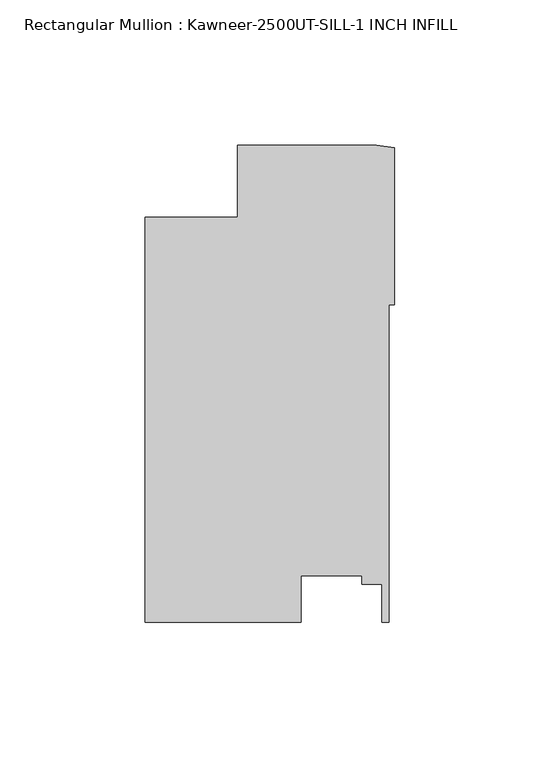
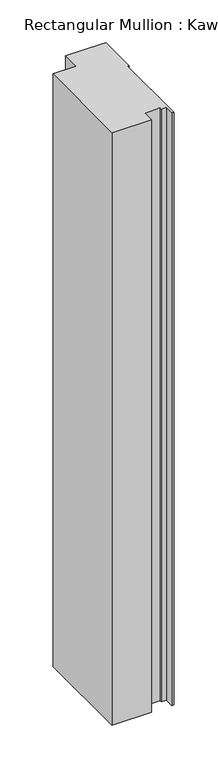
"""IFC4 building model written with IfcOpenShell, lengths in millimetres: member geometry, Rectangular Mullion : Kawneer-2500UT-SILL-1 INCH INFILL."""

import ifcopenshell
import ifcopenshell.guid

model = None  # the IFC model being written
_history = None  # IfcOwnerHistory: only IFC2X3 demands one
_inside = {}  # id of a spatial element -> (the spatial element, [elements in it])
_under = {}  # id of a project, library or spatial element -> (it, [spatial elements below it])
_declared = {}  # id of a project -> (the project, [libraries it declares])
_typed = {}  # id of a type object -> (the type object, [elements of that type])
_made_of = {}  # id of a material, layer set ... -> (it, [elements and type objects made of it])


def new_model(schema):
    """Start an empty IFC model of exactly this schema.

    Asked for "IFC4X3", IfcOpenShell would pick the latest addendum, in which some entities
    have other attributes; the version numbers below select the first issue.
    IFC2X3 requires an IfcOwnerHistory on every rooted entity: one is made here for all.
    """
    global model, _history
    if schema == "IFC4X3":
        model = ifcopenshell.file(schema_version=(4, 3, 0, 0))
    else:
        model = ifcopenshell.file(schema=schema)
    _inside.clear()
    _under.clear()
    _declared.clear()
    _typed.clear()
    _made_of.clear()
    _history = None
    if model.schema == "IFC2X3":
        org = make("IfcOrganization", Name="unknown")
        user = make(
            "IfcPersonAndOrganization",
            ThePerson=make("IfcPerson", FamilyName="unknown"),
            TheOrganization=org,
        )
        app = make(
            "IfcApplication",
            ApplicationDeveloper=org,
            Version="unknown",
            ApplicationFullName="unknown",
            ApplicationIdentifier="unknown",
        )
        _history = make(
            "IfcOwnerHistory",
            OwningUser=user,
            OwningApplication=app,
            ChangeAction="ADDED",
            CreationDate=0,
        )
    return model


def make(cls, **values):
    """One entity of the class cls with the attributes given. An attribute that is None is left unset."""
    return model.create_entity(
        cls, **{name: value for name, value in values.items() if value is not None}
    )


def rooted(cls, **values):
    """An entity with a GlobalId (a new one), such as an element, a storey or a relation."""
    return make(cls, GlobalId=ifcopenshell.guid.new(), OwnerHistory=_history, **values)


def si_unit(unit_type, name, prefix=None):
    """IfcSIUnit, for example si_unit("LENGTHUNIT", "METRE", prefix="MILLI")."""
    return make("IfcSIUnit", UnitType=unit_type, Prefix=prefix, Name=name)


def assignment(units):
    """IfcUnitAssignment: the units of a project."""
    return None if units is None else make("IfcUnitAssignment", Units=units)


def point(xyz):
    """IfcCartesianPoint."""
    return None if xyz is None else make("IfcCartesianPoint", Coordinates=xyz)


def direction(xyz):
    """IfcDirection."""
    return None if xyz is None else make("IfcDirection", DirectionRatios=xyz)


def frame(location, z_axis=None, x_axis=None):
    """IfcAxis2Placement3D, a coordinate frame: its origin and axes. An axis left out is left unset."""
    return make(
        "IfcAxis2Placement3D",
        Location=point(location),
        Axis=direction(z_axis),
        RefDirection=direction(x_axis),
    )


def frame_2d(location, x_axis=None):
    """IfcAxis2Placement2D, a coordinate frame in the plane: its origin and x axis."""
    return make(
        "IfcAxis2Placement2D", Location=point(location), RefDirection=direction(x_axis)
    )


def origin():
    """The frame at (0, 0, 0) with its axes left unset."""
    return frame((0.0, 0.0, 0.0))


def place(relative_to, where):
    """IfcLocalPlacement: puts the frame where relative to a parent placement (None: the world)."""
    return make(
        "IfcLocalPlacement", PlacementRelTo=relative_to, RelativePlacement=where
    )


def context(
    kind, dimensions, precision=None, world=None, true_north=None, identifier=None
):
    """IfcGeometricRepresentationContext, for example the 3D "Model" context."""
    return make(
        "IfcGeometricRepresentationContext",
        ContextIdentifier=identifier,
        ContextType=kind,
        CoordinateSpaceDimension=dimensions,
        Precision=precision,
        WorldCoordinateSystem=world,
        TrueNorth=true_north,
    )


def project(units=None, contexts=None):
    """IfcProject with its units and contexts."""
    return rooted(
        "IfcProject",
        Name="project",
        RepresentationContexts=contexts,
        UnitsInContext=assignment(units),
    )


def spatial(cls, under=None, at=None, **own):
    """A site, building, storey or space (cls), placed at a placement, below another one or the project."""
    s = rooted(cls, ObjectPlacement=at, **own)
    if under is not None:
        _under.setdefault(under.id(), (under, []))[1].append(s)
    return s


def polyline(points):
    """IfcPolyline through the points."""
    return make("IfcPolyline", Points=[point(p) for p in points])


def circle_curve(where, radius):
    """IfcCircle in the frame where."""
    return make("IfcCircle", Position=where, Radius=radius)


def trimmed(basis, trim1, trim2, sense, master):
    """IfcTrimmedCurve: the piece of a basis curve between two trims."""
    return make(
        "IfcTrimmedCurve",
        BasisCurve=basis,
        Trim1=trim1,
        Trim2=trim2,
        SenseAgreement=sense,
        MasterRepresentation=master,
    )


def segment(curve, same_sense, transition):
    """IfcCompositeCurveSegment."""
    return make(
        "IfcCompositeCurveSegment",
        Transition=transition,
        SameSense=same_sense,
        ParentCurve=curve,
    )


def composite_curve(segments, self_intersect=None):
    """IfcCompositeCurve: segments joined end to end."""
    return make("IfcCompositeCurve", Segments=segments, SelfIntersect=self_intersect)


def outline(outer, holes=None, kind="AREA"):
    """IfcArbitraryClosedProfileDef: a profile drawn as a closed curve; with holes, ...WithVoids."""
    if holes is None:
        return make("IfcArbitraryClosedProfileDef", ProfileType=kind, OuterCurve=outer)
    return make(
        "IfcArbitraryProfileDefWithVoids",
        ProfileType=kind,
        OuterCurve=outer,
        InnerCurves=holes,
    )


def extrude(swept, where, along, depth):
    """IfcExtrudedAreaSolid: the profile swept, set in the frame where, extruded along a direction by depth."""
    return make(
        "IfcExtrudedAreaSolid",
        SweptArea=swept,
        Position=where,
        ExtrudedDirection=direction(along),
        Depth=depth,
    )


def shape(context_of_items, identifier, shape_type, items):
    """IfcShapeRepresentation: the items that make up one representation, for example the "Body"."""
    return make(
        "IfcShapeRepresentation",
        ContextOfItems=context_of_items,
        RepresentationIdentifier=identifier,
        RepresentationType=shape_type,
        Items=items,
    )


def source(mapping_origin, context_of_items, identifier, shape_type, items):
    """IfcRepresentationMap: a shape defined once, which mapped items show again and again."""
    return make(
        "IfcRepresentationMap",
        MappingOrigin=mapping_origin,
        MappedRepresentation=shape(context_of_items, identifier, shape_type, items),
    )


def transform(
    local_origin,
    x_axis=None,
    y_axis=None,
    z_axis=None,
    scale=None,
    scale2=None,
    scale3=None,
    uniform=True,
):
    """IfcCartesianTransformationOperator3D, or its non-uniform kind. x_axis, y_axis, z_axis: its Axis1, 2, 3."""
    if uniform:
        return make(
            "IfcCartesianTransformationOperator3D",
            Axis1=direction(x_axis),
            Axis2=direction(y_axis),
            LocalOrigin=point(local_origin),
            Scale=scale,
            Axis3=direction(z_axis),
        )
    return make(
        "IfcCartesianTransformationOperator3DnonUniform",
        Axis1=direction(x_axis),
        Axis2=direction(y_axis),
        LocalOrigin=point(local_origin),
        Scale=scale,
        Axis3=direction(z_axis),
        Scale2=scale2,
        Scale3=scale3,
    )


def mapped(mapping_source, mapping_target):
    """IfcMappedItem: shows the shape of a source again, moved by a transform."""
    return make(
        "IfcMappedItem", MappingSource=mapping_source, MappingTarget=mapping_target
    )


def made_of(thing, what):
    """Note that an element or type object is made of a material, layer set ...; save() writes the relation."""
    if what is not None:
        _made_of.setdefault(what.id(), (what, []))[1].append(thing)
    return thing


def element(
    cls,
    number,
    at=None,
    inside=None,
    cuts=None,
    type_object=None,
    material=None,
    context=None,
    identifier="Body",
    shape_type=None,
    held_by="IfcProductDefinitionShape",
    body=None,
    shapes=None,
    **own,
):
    """One element of the class cls, such as IfcWall. Its Tag is "e" and its number.

    at: its placement. inside: the storey or other place that contains it. cuts: it is an
    opening in that element (IfcRelVoidsElement). A single representation is given by context,
    identifier, shape_type and body (its items); several are given by shapes. held_by: the class
    of the entity that holds the representations. save() writes the other relations.
    """
    e = rooted(cls, Tag="e%d" % number, ObjectPlacement=at, **own)
    if body is not None:
        shapes = [shape(context, identifier, shape_type, body)]
    if shapes is not None:
        e.Representation = make(held_by, Representations=shapes)
    if inside is not None:
        _inside.setdefault(inside.id(), (inside, []))[1].append(e)
    if cuts is not None:
        rooted(
            "IfcRelVoidsElement", RelatingBuildingElement=cuts, RelatedOpeningElement=e
        )
    if type_object is not None:
        _typed.setdefault(type_object.id(), (type_object, []))[1].append(e)
    return made_of(e, material)


def aggregate(whole, parts):
    """IfcRelAggregates: a whole, such as a stair, and the parts it consists of."""
    return rooted("IfcRelAggregates", RelatingObject=whole, RelatedObjects=parts)


def save(model, path):
    """Write the relations noted so far, then the file.

    IfcRelAggregates (storeys below a building ...), IfcRelContainedInSpatialStructure (elements
    in a storey), IfcRelDefinesByType, IfcRelAssociatesMaterial and IfcRelDeclares: one each for
    every whole, place, type object, material and project.
    """
    for whole, parts in _under.values():
        aggregate(whole, parts)
    for where, things in _inside.values():
        rooted(
            "IfcRelContainedInSpatialStructure",
            RelatedElements=things,
            RelatingStructure=where,
        )
    for kind, things in _typed.values():
        rooted("IfcRelDefinesByType", RelatedObjects=things, RelatingType=kind)
    for what, things in _made_of.values():
        rooted("IfcRelAssociatesMaterial", RelatedObjects=things, RelatingMaterial=what)
    for by, libraries in _declared.values():
        rooted("IfcRelDeclares", RelatingContext=by, RelatedDefinitions=libraries)
    model.write(path)


def rectangular_mullion_kawneer_2500ut_sill_1_inch_infill_534533f5(model_context):
    return source(origin(), model_context, "Body", "SweptSolid", [
        extrude(outline(composite_curve([segment(polyline([(-85.8370969, -24.8046875), (-54.0872101, -24.8040411), (-54.0872101, -0.0023481), (-6.2338824, -0.0023481)]), True, "CONTINUOUS"), segment(trimmed(circle_curve(frame_2d((1.9614918, 38.576115)), 39.4393455), [point((-6.2338824, -0.0023481))], [point((0.0, -0.8144235))], True, "CARTESIAN"), True, "CONTINUOUS"), segment(polyline([(0.0, -0.8144235), (0.0, -54.8449535), (-1.8773984, -54.8449535), (-1.8773984, -163.9966875), (-4.4173983, -163.9966875), (-4.4173983, -150.9528883), (-11.275398, -150.9528883), (-11.275398, -148.098283), (-32.2220472, -148.098283), (-32.2220472, -163.9966875), (-85.8370969, -163.9966875), (-85.8370969, -24.8046875)]), True, "CONTINUOUS")], self_intersect=False)), frame((0.0, 0.0, -850.2604121), z_axis=(0.0, 0.0, 1.0), x_axis=(1.0, 0.0, 0.0)), (0.0, 0.0, 1.0), 850.2604121),
    ])


if __name__ == "__main__":
    model = new_model("IFC4")
    model_context = context("Model", 3, world=origin())
    ifc_project = project(units=[si_unit("LENGTHUNIT", "METRE", prefix="MILLI")], contexts=[model_context])
    site = spatial("IfcSite", under=ifc_project)
    building = spatial("IfcBuilding", under=site)
    placement = place(None, origin())
    rectangular_mullion_kawneer_2500ut_sill_1_inch_infill_shape = rectangular_mullion_kawneer_2500ut_sill_1_inch_infill_534533f5(model_context)
    element("IfcMember", 1, ObjectType="Rectangular Mullion : Kawneer-2500UT-SILL-1 INCH INFILL", at=placement, inside=building, context=model_context, shape_type="MappedRepresentation", body=[
        mapped(rectangular_mullion_kawneer_2500ut_sill_1_inch_infill_shape, transform((0.0, 0.0, 0.0), x_axis=(1.0, 0.0, 0.0), y_axis=(0.0, 1.0, 0.0), z_axis=(0.0, 0.0, 1.0))),
    ])
    save(model, "model.ifc")
